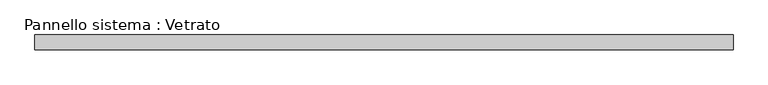
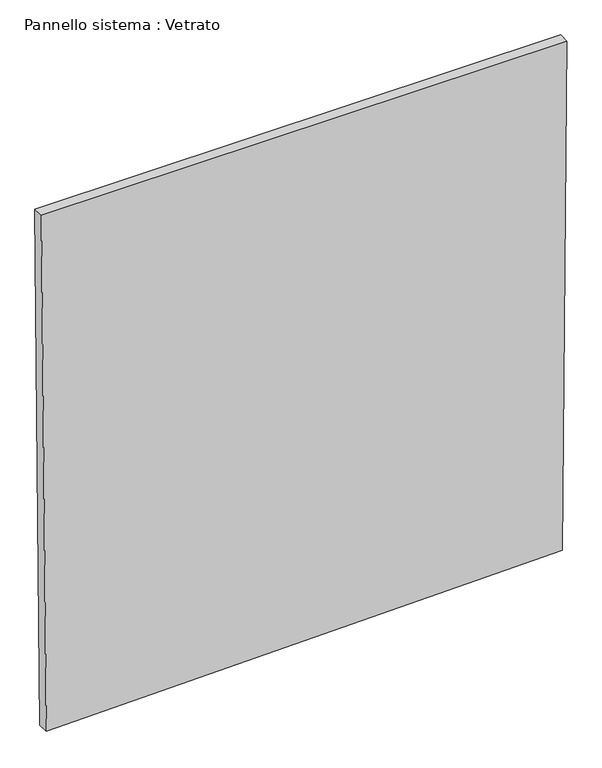
"""IFC4 building model written with IfcOpenShell, lengths in millimetres: plate geometry, Pannello sistema : Vetrato."""

import ifcopenshell
import ifcopenshell.guid

model = None  # the IFC model being written
_history = None  # IfcOwnerHistory: only IFC2X3 demands one
_inside = {}  # id of a spatial element -> (the spatial element, [elements in it])
_under = {}  # id of a project, library or spatial element -> (it, [spatial elements below it])
_declared = {}  # id of a project -> (the project, [libraries it declares])
_typed = {}  # id of a type object -> (the type object, [elements of that type])
_made_of = {}  # id of a material, layer set ... -> (it, [elements and type objects made of it])


def new_model(schema):
    """Start an empty IFC model of exactly this schema.

    Asked for "IFC4X3", IfcOpenShell would pick the latest addendum, in which some entities
    have other attributes; the version numbers below select the first issue.
    IFC2X3 requires an IfcOwnerHistory on every rooted entity: one is made here for all.
    """
    global model, _history
    if schema == "IFC4X3":
        model = ifcopenshell.file(schema_version=(4, 3, 0, 0))
    else:
        model = ifcopenshell.file(schema=schema)
    _inside.clear()
    _under.clear()
    _declared.clear()
    _typed.clear()
    _made_of.clear()
    _history = None
    if model.schema == "IFC2X3":
        org = make("IfcOrganization", Name="unknown")
        user = make(
            "IfcPersonAndOrganization",
            ThePerson=make("IfcPerson", FamilyName="unknown"),
            TheOrganization=org,
        )
        app = make(
            "IfcApplication",
            ApplicationDeveloper=org,
            Version="unknown",
            ApplicationFullName="unknown",
            ApplicationIdentifier="unknown",
        )
        _history = make(
            "IfcOwnerHistory",
            OwningUser=user,
            OwningApplication=app,
            ChangeAction="ADDED",
            CreationDate=0,
        )
    return model


def make(cls, **values):
    """One entity of the class cls with the attributes given. An attribute that is None is left unset."""
    return model.create_entity(
        cls, **{name: value for name, value in values.items() if value is not None}
    )


def rooted(cls, **values):
    """An entity with a GlobalId (a new one), such as an element, a storey or a relation."""
    return make(cls, GlobalId=ifcopenshell.guid.new(), OwnerHistory=_history, **values)


def si_unit(unit_type, name, prefix=None):
    """IfcSIUnit, for example si_unit("LENGTHUNIT", "METRE", prefix="MILLI")."""
    return make("IfcSIUnit", UnitType=unit_type, Prefix=prefix, Name=name)


def assignment(units):
    """IfcUnitAssignment: the units of a project."""
    return None if units is None else make("IfcUnitAssignment", Units=units)


def point(xyz):
    """IfcCartesianPoint."""
    return None if xyz is None else make("IfcCartesianPoint", Coordinates=xyz)


def direction(xyz):
    """IfcDirection."""
    return None if xyz is None else make("IfcDirection", DirectionRatios=xyz)


def frame(location, z_axis=None, x_axis=None):
    """IfcAxis2Placement3D, a coordinate frame: its origin and axes. An axis left out is left unset."""
    return make(
        "IfcAxis2Placement3D",
        Location=point(location),
        Axis=direction(z_axis),
        RefDirection=direction(x_axis),
    )


def origin():
    """The frame at (0, 0, 0) with its axes left unset."""
    return frame((0.0, 0.0, 0.0))


def place(relative_to, where):
    """IfcLocalPlacement: puts the frame where relative to a parent placement (None: the world)."""
    return make(
        "IfcLocalPlacement", PlacementRelTo=relative_to, RelativePlacement=where
    )


def context(
    kind, dimensions, precision=None, world=None, true_north=None, identifier=None
):
    """IfcGeometricRepresentationContext, for example the 3D "Model" context."""
    return make(
        "IfcGeometricRepresentationContext",
        ContextIdentifier=identifier,
        ContextType=kind,
        CoordinateSpaceDimension=dimensions,
        Precision=precision,
        WorldCoordinateSystem=world,
        TrueNorth=true_north,
    )


def project(units=None, contexts=None):
    """IfcProject with its units and contexts."""
    return rooted(
        "IfcProject",
        Name="project",
        RepresentationContexts=contexts,
        UnitsInContext=assignment(units),
    )


def spatial(cls, under=None, at=None, **own):
    """A site, building, storey or space (cls), placed at a placement, below another one or the project."""
    s = rooted(cls, ObjectPlacement=at, **own)
    if under is not None:
        _under.setdefault(under.id(), (under, []))[1].append(s)
    return s


def polyline(points):
    """IfcPolyline through the points."""
    return make("IfcPolyline", Points=[point(p) for p in points])


def outline(outer, holes=None, kind="AREA"):
    """IfcArbitraryClosedProfileDef: a profile drawn as a closed curve; with holes, ...WithVoids."""
    if holes is None:
        return make("IfcArbitraryClosedProfileDef", ProfileType=kind, OuterCurve=outer)
    return make(
        "IfcArbitraryProfileDefWithVoids",
        ProfileType=kind,
        OuterCurve=outer,
        InnerCurves=holes,
    )


def extrude(swept, where, along, depth):
    """IfcExtrudedAreaSolid: the profile swept, set in the frame where, extruded along a direction by depth."""
    return make(
        "IfcExtrudedAreaSolid",
        SweptArea=swept,
        Position=where,
        ExtrudedDirection=direction(along),
        Depth=depth,
    )


def shape(context_of_items, identifier, shape_type, items):
    """IfcShapeRepresentation: the items that make up one representation, for example the "Body"."""
    return make(
        "IfcShapeRepresentation",
        ContextOfItems=context_of_items,
        RepresentationIdentifier=identifier,
        RepresentationType=shape_type,
        Items=items,
    )


def source(mapping_origin, context_of_items, identifier, shape_type, items):
    """IfcRepresentationMap: a shape defined once, which mapped items show again and again."""
    return make(
        "IfcRepresentationMap",
        MappingOrigin=mapping_origin,
        MappedRepresentation=shape(context_of_items, identifier, shape_type, items),
    )


def transform(
    local_origin,
    x_axis=None,
    y_axis=None,
    z_axis=None,
    scale=None,
    scale2=None,
    scale3=None,
    uniform=True,
):
    """IfcCartesianTransformationOperator3D, or its non-uniform kind. x_axis, y_axis, z_axis: its Axis1, 2, 3."""
    if uniform:
        return make(
            "IfcCartesianTransformationOperator3D",
            Axis1=direction(x_axis),
            Axis2=direction(y_axis),
            LocalOrigin=point(local_origin),
            Scale=scale,
            Axis3=direction(z_axis),
        )
    return make(
        "IfcCartesianTransformationOperator3DnonUniform",
        Axis1=direction(x_axis),
        Axis2=direction(y_axis),
        LocalOrigin=point(local_origin),
        Scale=scale,
        Axis3=direction(z_axis),
        Scale2=scale2,
        Scale3=scale3,
    )


def mapped(mapping_source, mapping_target):
    """IfcMappedItem: shows the shape of a source again, moved by a transform."""
    return make(
        "IfcMappedItem", MappingSource=mapping_source, MappingTarget=mapping_target
    )


def made_of(thing, what):
    """Note that an element or type object is made of a material, layer set ...; save() writes the relation."""
    if what is not None:
        _made_of.setdefault(what.id(), (what, []))[1].append(thing)
    return thing


def element(
    cls,
    number,
    at=None,
    inside=None,
    cuts=None,
    type_object=None,
    material=None,
    context=None,
    identifier="Body",
    shape_type=None,
    held_by="IfcProductDefinitionShape",
    body=None,
    shapes=None,
    **own,
):
    """One element of the class cls, such as IfcWall. Its Tag is "e" and its number.

    at: its placement. inside: the storey or other place that contains it. cuts: it is an
    opening in that element (IfcRelVoidsElement). A single representation is given by context,
    identifier, shape_type and body (its items); several are given by shapes. held_by: the class
    of the entity that holds the representations. save() writes the other relations.
    """
    e = rooted(cls, Tag="e%d" % number, ObjectPlacement=at, **own)
    if body is not None:
        shapes = [shape(context, identifier, shape_type, body)]
    if shapes is not None:
        e.Representation = make(held_by, Representations=shapes)
    if inside is not None:
        _inside.setdefault(inside.id(), (inside, []))[1].append(e)
    if cuts is not None:
        rooted(
            "IfcRelVoidsElement", RelatingBuildingElement=cuts, RelatedOpeningElement=e
        )
    if type_object is not None:
        _typed.setdefault(type_object.id(), (type_object, []))[1].append(e)
    return made_of(e, material)


def aggregate(whole, parts):
    """IfcRelAggregates: a whole, such as a stair, and the parts it consists of."""
    return rooted("IfcRelAggregates", RelatingObject=whole, RelatedObjects=parts)


def save(model, path):
    """Write the relations noted so far, then the file.

    IfcRelAggregates (storeys below a building ...), IfcRelContainedInSpatialStructure (elements
    in a storey), IfcRelDefinesByType, IfcRelAssociatesMaterial and IfcRelDeclares: one each for
    every whole, place, type object, material and project.
    """
    for whole, parts in _under.values():
        aggregate(whole, parts)
    for where, things in _inside.values():
        rooted(
            "IfcRelContainedInSpatialStructure",
            RelatedElements=things,
            RelatingStructure=where,
        )
    for kind, things in _typed.values():
        rooted("IfcRelDefinesByType", RelatedObjects=things, RelatingType=kind)
    for what, things in _made_of.values():
        rooted("IfcRelAssociatesMaterial", RelatedObjects=things, RelatingMaterial=what)
    for by, libraries in _declared.values():
        rooted("IfcRelDeclares", RelatingContext=by, RelatedDefinitions=libraries)
    model.write(path)


def pannello_sistema_vetrato_6d6d6ff3(model_context):
    return source(origin(), model_context, "Body", "SweptSolid", [
        extrude(outline(polyline([(0.0, -701.377311), (29.8464454, 702.4239198), (1489.4775007, 715.0373183), (1489.2957013, -715.0373183), (0.0, -701.377311)])), frame((0.0, -15.0, 0.0), z_axis=(0.0, 1.0, 0.0), x_axis=(0.0, 0.0, 1.0)), (0.0, 0.0, 1.0), 30.0),
    ])


if __name__ == "__main__":
    model = new_model("IFC4")
    model_context = context("Model", 3, world=origin())
    ifc_project = project(units=[si_unit("LENGTHUNIT", "METRE", prefix="MILLI")], contexts=[model_context])
    site = spatial("IfcSite", under=ifc_project)
    building = spatial("IfcBuilding", under=site)
    placement = place(None, origin())
    pannello_sistema_vetrato_shape = pannello_sistema_vetrato_6d6d6ff3(model_context)
    element("IfcPlate", 1, ObjectType="Pannello sistema : Vetrato", at=placement, inside=building, context=model_context, shape_type="MappedRepresentation", body=[
        mapped(pannello_sistema_vetrato_shape, transform((0.0, 0.0, 0.0), x_axis=(1.0, 0.0, 0.0), y_axis=(0.0, 1.0, 0.0), z_axis=(0.0, 0.0, 1.0))),
    ])
    save(model, "model.ifc")
